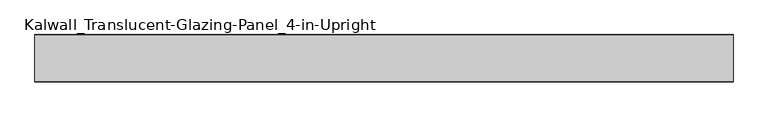
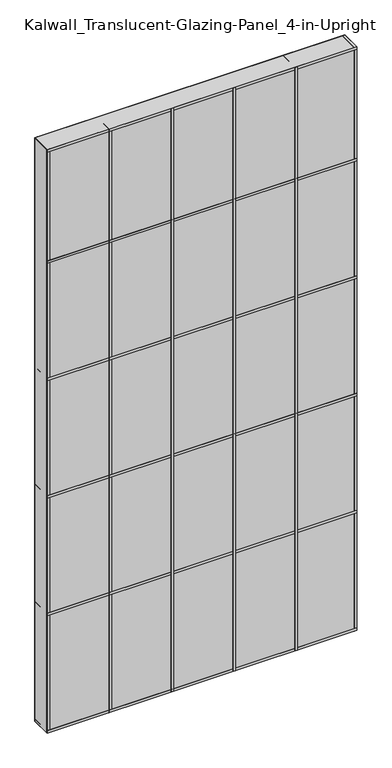
"""IFC4 building model written with IfcOpenShell, lengths in millimetres: plate geometry, Kalwall_Translucent-Glazing-Panel_4-in-Upright."""

from ifc_helpers import new_model, si_unit, frame, origin, origin_with_axes, place, context, project, spatial, polyline, outline, extrude, source, transform, mapped, element, save


def kalwall_translucent_glazing_panel_4_in_upright_fbe98466(model_context):
    return source(origin(), model_context, "Body", "SweptSolid", [
        extrude(outline(polyline([(762.0, 50.8), (762.0, -50.8), (-762.0, -50.8), (-762.0, 50.8), (762.0, 50.8)])), origin_with_axes(), (0.0, 0.0, 1.0), 3028.95),
        extrude(outline(polyline([(469.9, 51.59375), (469.9, -51.59375), (457.2, -51.59375), (457.2, 51.59375), (469.9, 51.59375)])), origin_with_axes(), (0.0, 0.0, 1.0), 3028.95),
        extrude(outline(polyline([(165.1, 51.59375), (165.1, -51.59375), (152.4, -51.59375), (152.4, 51.59375), (165.1, 51.59375)])), origin_with_axes(), (0.0, 0.0, 1.0), 3028.95),
        extrude(outline(polyline([(-139.7, 51.59375), (-139.7, -51.59375), (-152.4, -51.59375), (-152.4, 51.59375), (-139.7, 51.59375)])), origin_with_axes(), (0.0, 0.0, 1.0), 3028.95),
        extrude(outline(polyline([(762.0, 51.59375), (762.0, -51.59375), (-762.0, -51.59375), (-762.0, 51.59375), (762.0, 51.59375)])), frame((0.0, 0.0, 2438.4), z_axis=(0.0, 0.0, 1.0), x_axis=(1.0, 0.0, 0.0)), (0.0, 0.0, 1.0), 12.7),
        extrude(outline(polyline([(762.0, 51.59375), (762.0, -51.59375), (-762.0, -51.59375), (-762.0, 51.59375), (762.0, 51.59375)])), frame((0.0, 0.0, 1828.8), z_axis=(0.0, 0.0, 1.0), x_axis=(1.0, 0.0, 0.0)), (0.0, 0.0, 1.0), 12.7),
        extrude(outline(polyline([(762.0, 51.59375), (762.0, -51.59375), (-762.0, -51.59375), (-762.0, 51.59375), (762.0, 51.59375)])), frame((0.0, 0.0, 1219.2), z_axis=(0.0, 0.0, 1.0), x_axis=(1.0, 0.0, 0.0)), (0.0, 0.0, 1.0), 12.7),
        extrude(outline(polyline([(762.0, 51.59375), (762.0, -51.59375), (-762.0, -51.59375), (-762.0, 51.59375), (762.0, 51.59375)])), frame((0.0, 0.0, 3016.25), z_axis=(0.0, 0.0, 1.0), x_axis=(1.0, 0.0, 0.0)), (0.0, 0.0, 1.0), 12.7),
        extrude(outline(polyline([(762.0, 51.59375), (762.0, -51.59375), (-762.0, -51.59375), (-762.0, 51.59375), (762.0, 51.59375)])), frame((0.0, 0.0, 609.6), z_axis=(0.0, 0.0, 1.0), x_axis=(1.0, 0.0, 0.0)), (0.0, 0.0, 1.0), 12.7),
        extrude(outline(polyline([(762.0, 51.59375), (762.0, -51.59375), (-762.0, -51.59375), (-762.0, 51.59375), (762.0, 51.59375)])), origin_with_axes(), (0.0, 0.0, 1.0), 12.7),
        extrude(outline(polyline([(-444.5, 51.59375), (-444.5, -51.59375), (-457.2, -51.59375), (-457.2, 51.59375), (-444.5, 51.59375)])), origin_with_axes(), (0.0, 0.0, 1.0), 3028.95),
        extrude(outline(polyline([(762.0, 51.59375), (762.0, -51.59375), (749.3, -51.59375), (749.3, 51.59375), (762.0, 51.59375)])), origin_with_axes(), (0.0, 0.0, 1.0), 3028.95),
        extrude(outline(polyline([(-749.3, 51.59375), (-749.3, -51.59375), (-762.0, -51.59375), (-762.0, 51.59375), (-749.3, 51.59375)])), origin_with_axes(), (0.0, 0.0, 1.0), 3028.95),
    ])


if __name__ == "__main__":
    model = new_model("IFC4")
    model_context = context("Model", 3, world=origin())
    ifc_project = project(units=[si_unit("LENGTHUNIT", "METRE", prefix="MILLI")], contexts=[model_context])
    site = spatial("IfcSite", under=ifc_project)
    building = spatial("IfcBuilding", under=site)
    placement = place(None, origin())
    kalwall_translucent_glazing_panel_4_in_upright_shape = kalwall_translucent_glazing_panel_4_in_upright_fbe98466(model_context)
    element("IfcPlate", 1, ObjectType="Kalwall_Translucent-Glazing-Panel_4-in-Upright", at=placement, inside=building, context=model_context, shape_type="MappedRepresentation", body=[
        mapped(kalwall_translucent_glazing_panel_4_in_upright_shape, transform((0.0, 0.0, 0.0), x_axis=(1.0, 0.0, 0.0), y_axis=(0.0, 1.0, 0.0), z_axis=(0.0, 0.0, 1.0))),
    ])
    save(model, "model.ifc")
